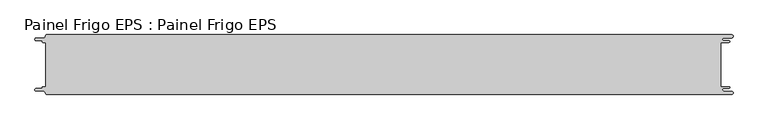
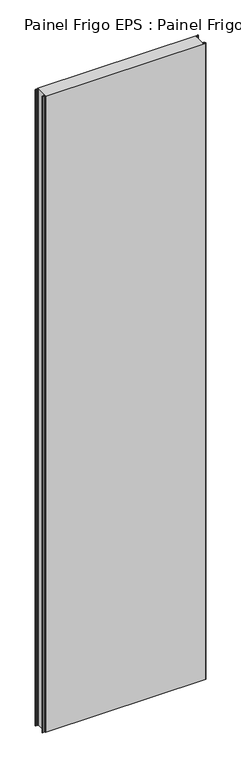
"""IFC4 building model written with IfcOpenShell, lengths in millimetres: proxy geometry, Painel Frigo EPS : Painel Frigo EPS."""

import ifcopenshell
import ifcopenshell.guid

model = None  # the IFC model being written
_history = None  # IfcOwnerHistory: only IFC2X3 demands one
_inside = {}  # id of a spatial element -> (the spatial element, [elements in it])
_under = {}  # id of a project, library or spatial element -> (it, [spatial elements below it])
_declared = {}  # id of a project -> (the project, [libraries it declares])
_typed = {}  # id of a type object -> (the type object, [elements of that type])
_made_of = {}  # id of a material, layer set ... -> (it, [elements and type objects made of it])


def new_model(schema):
    """Start an empty IFC model of exactly this schema.

    Asked for "IFC4X3", IfcOpenShell would pick the latest addendum, in which some entities
    have other attributes; the version numbers below select the first issue.
    IFC2X3 requires an IfcOwnerHistory on every rooted entity: one is made here for all.
    """
    global model, _history
    if schema == "IFC4X3":
        model = ifcopenshell.file(schema_version=(4, 3, 0, 0))
    else:
        model = ifcopenshell.file(schema=schema)
    _inside.clear()
    _under.clear()
    _declared.clear()
    _typed.clear()
    _made_of.clear()
    _history = None
    if model.schema == "IFC2X3":
        org = make("IfcOrganization", Name="unknown")
        user = make(
            "IfcPersonAndOrganization",
            ThePerson=make("IfcPerson", FamilyName="unknown"),
            TheOrganization=org,
        )
        app = make(
            "IfcApplication",
            ApplicationDeveloper=org,
            Version="unknown",
            ApplicationFullName="unknown",
            ApplicationIdentifier="unknown",
        )
        _history = make(
            "IfcOwnerHistory",
            OwningUser=user,
            OwningApplication=app,
            ChangeAction="ADDED",
            CreationDate=0,
        )
    return model


def make(cls, **values):
    """One entity of the class cls with the attributes given. An attribute that is None is left unset."""
    return model.create_entity(
        cls, **{name: value for name, value in values.items() if value is not None}
    )


def rooted(cls, **values):
    """An entity with a GlobalId (a new one), such as an element, a storey or a relation."""
    return make(cls, GlobalId=ifcopenshell.guid.new(), OwnerHistory=_history, **values)


def si_unit(unit_type, name, prefix=None):
    """IfcSIUnit, for example si_unit("LENGTHUNIT", "METRE", prefix="MILLI")."""
    return make("IfcSIUnit", UnitType=unit_type, Prefix=prefix, Name=name)


def assignment(units):
    """IfcUnitAssignment: the units of a project."""
    return None if units is None else make("IfcUnitAssignment", Units=units)


def point(xyz):
    """IfcCartesianPoint."""
    return None if xyz is None else make("IfcCartesianPoint", Coordinates=xyz)


def direction(xyz):
    """IfcDirection."""
    return None if xyz is None else make("IfcDirection", DirectionRatios=xyz)


def frame(location, z_axis=None, x_axis=None):
    """IfcAxis2Placement3D, a coordinate frame: its origin and axes. An axis left out is left unset."""
    return make(
        "IfcAxis2Placement3D",
        Location=point(location),
        Axis=direction(z_axis),
        RefDirection=direction(x_axis),
    )


def origin():
    """The frame at (0, 0, 0) with its axes left unset."""
    return frame((0.0, 0.0, 0.0))


def place(relative_to, where):
    """IfcLocalPlacement: puts the frame where relative to a parent placement (None: the world)."""
    return make(
        "IfcLocalPlacement", PlacementRelTo=relative_to, RelativePlacement=where
    )


def context(
    kind, dimensions, precision=None, world=None, true_north=None, identifier=None
):
    """IfcGeometricRepresentationContext, for example the 3D "Model" context."""
    return make(
        "IfcGeometricRepresentationContext",
        ContextIdentifier=identifier,
        ContextType=kind,
        CoordinateSpaceDimension=dimensions,
        Precision=precision,
        WorldCoordinateSystem=world,
        TrueNorth=true_north,
    )


def project(units=None, contexts=None):
    """IfcProject with its units and contexts."""
    return rooted(
        "IfcProject",
        Name="project",
        RepresentationContexts=contexts,
        UnitsInContext=assignment(units),
    )


def spatial(cls, under=None, at=None, **own):
    """A site, building, storey or space (cls), placed at a placement, below another one or the project."""
    s = rooted(cls, ObjectPlacement=at, **own)
    if under is not None:
        _under.setdefault(under.id(), (under, []))[1].append(s)
    return s


def polyline(points):
    """IfcPolyline through the points."""
    return make("IfcPolyline", Points=[point(p) for p in points])


def circle_curve(where, radius):
    """IfcCircle in the frame where."""
    return make("IfcCircle", Position=where, Radius=radius)


def shape(context_of_items, identifier, shape_type, items):
    """IfcShapeRepresentation: the items that make up one representation, for example the "Body"."""
    return make(
        "IfcShapeRepresentation",
        ContextOfItems=context_of_items,
        RepresentationIdentifier=identifier,
        RepresentationType=shape_type,
        Items=items,
    )


def source(mapping_origin, context_of_items, identifier, shape_type, items):
    """IfcRepresentationMap: a shape defined once, which mapped items show again and again."""
    return make(
        "IfcRepresentationMap",
        MappingOrigin=mapping_origin,
        MappedRepresentation=shape(context_of_items, identifier, shape_type, items),
    )


def transform(
    local_origin,
    x_axis=None,
    y_axis=None,
    z_axis=None,
    scale=None,
    scale2=None,
    scale3=None,
    uniform=True,
):
    """IfcCartesianTransformationOperator3D, or its non-uniform kind. x_axis, y_axis, z_axis: its Axis1, 2, 3."""
    if uniform:
        return make(
            "IfcCartesianTransformationOperator3D",
            Axis1=direction(x_axis),
            Axis2=direction(y_axis),
            LocalOrigin=point(local_origin),
            Scale=scale,
            Axis3=direction(z_axis),
        )
    return make(
        "IfcCartesianTransformationOperator3DnonUniform",
        Axis1=direction(x_axis),
        Axis2=direction(y_axis),
        LocalOrigin=point(local_origin),
        Scale=scale,
        Axis3=direction(z_axis),
        Scale2=scale2,
        Scale3=scale3,
    )


def mapped(mapping_source, mapping_target):
    """IfcMappedItem: shows the shape of a source again, moved by a transform."""
    return make(
        "IfcMappedItem", MappingSource=mapping_source, MappingTarget=mapping_target
    )


def made_of(thing, what):
    """Note that an element or type object is made of a material, layer set ...; save() writes the relation."""
    if what is not None:
        _made_of.setdefault(what.id(), (what, []))[1].append(thing)
    return thing


def element(
    cls,
    number,
    at=None,
    inside=None,
    cuts=None,
    type_object=None,
    material=None,
    context=None,
    identifier="Body",
    shape_type=None,
    held_by="IfcProductDefinitionShape",
    body=None,
    shapes=None,
    **own,
):
    """One element of the class cls, such as IfcWall. Its Tag is "e" and its number.

    at: its placement. inside: the storey or other place that contains it. cuts: it is an
    opening in that element (IfcRelVoidsElement). A single representation is given by context,
    identifier, shape_type and body (its items); several are given by shapes. held_by: the class
    of the entity that holds the representations. save() writes the other relations.
    """
    e = rooted(cls, Tag="e%d" % number, ObjectPlacement=at, **own)
    if body is not None:
        shapes = [shape(context, identifier, shape_type, body)]
    if shapes is not None:
        e.Representation = make(held_by, Representations=shapes)
    if inside is not None:
        _inside.setdefault(inside.id(), (inside, []))[1].append(e)
    if cuts is not None:
        rooted(
            "IfcRelVoidsElement", RelatingBuildingElement=cuts, RelatedOpeningElement=e
        )
    if type_object is not None:
        _typed.setdefault(type_object.id(), (type_object, []))[1].append(e)
    return made_of(e, material)


def aggregate(whole, parts):
    """IfcRelAggregates: a whole, such as a stair, and the parts it consists of."""
    return rooted("IfcRelAggregates", RelatingObject=whole, RelatedObjects=parts)


def save(model, path):
    """Write the relations noted so far, then the file.

    IfcRelAggregates (storeys below a building ...), IfcRelContainedInSpatialStructure (elements
    in a storey), IfcRelDefinesByType, IfcRelAssociatesMaterial and IfcRelDeclares: one each for
    every whole, place, type object, material and project.
    """
    for whole, parts in _under.values():
        aggregate(whole, parts)
    for where, things in _inside.values():
        rooted(
            "IfcRelContainedInSpatialStructure",
            RelatedElements=things,
            RelatingStructure=where,
        )
    for kind, things in _typed.values():
        rooted("IfcRelDefinesByType", RelatedObjects=things, RelatingType=kind)
    for what, things in _made_of.values():
        rooted("IfcRelAssociatesMaterial", RelatedObjects=things, RelatingMaterial=what)
    for by, libraries in _declared.values():
        rooted("IfcRelDeclares", RelatingContext=by, RelatedDefinitions=libraries)
    model.write(path)


def plane_surface(at):
    """IfcPlane: the flat surface through the origin of the frame at, square to its z axis."""
    return make("IfcPlane", Position=at)


def cylinder_surface(at, radius):
    """IfcCylindricalSurface: all points at the distance radius from the z axis of the frame at."""
    return make("IfcCylindricalSurface", Position=at, Radius=radius)


def revolved_surface(curve, axis_point, axis_direction):
    """IfcSurfaceOfRevolution: the curve turned about the line through axis_point along axis_direction."""
    return make(
        "IfcSurfaceOfRevolution",
        SweptCurve=make("IfcArbitraryOpenProfileDef", ProfileType="CURVE", Curve=curve),
        AxisPosition=make("IfcAxis1Placement", Location=point(axis_point), Axis=direction(axis_direction)),
    )


def advanced_brep(points, edges, surfaces, faces):
    """IfcAdvancedBrep: a solid bounded by faces that lie on surfaces and meet in shared edges.

    An edge is (start, end): straight between two places in points (the first is 0);
    or (start, end, curve); or (start, end, curve, False) where it runs against its curve.
    A face is (place in surfaces, loops), or (place, loops, False) where it looks against
    its surface's normal. A loop lists edges by number (the first is 1), with a minus sign
    where the edge is run from its end to its start. The first loop is the outer one.
    """
    corners = [point(p) for p in points]
    vertices = [make("IfcVertexPoint", VertexGeometry=c) for c in corners]
    made = []
    for start, end, *more in edges:
        made.append(
            make(
                "IfcEdgeCurve",
                EdgeStart=vertices[start],
                EdgeEnd=vertices[end],
                EdgeGeometry=more[0] if more else make("IfcPolyline", Points=[corners[start], corners[end]]),
                SameSense=more[1] if len(more) > 1 else True,
            )
        )
    hull = []
    for where, loops, *sense in faces:
        bounds = []
        for j, loop in enumerate(loops):
            ring = [make("IfcOrientedEdge", EdgeElement=made[abs(k) - 1], Orientation=k > 0) for k in loop]
            bounds.append(
                make(
                    "IfcFaceOuterBound" if j == 0 else "IfcFaceBound",
                    Bound=make("IfcEdgeLoop", EdgeList=ring),
                    Orientation=True,
                )
            )
        hull.append(make("IfcAdvancedFace", Bounds=bounds, FaceSurface=surfaces[where], SameSense=sense[0] if sense else True))
    return make("IfcAdvancedBrep", Outer=make("IfcClosedShell", CfsFaces=hull))


def painel_frigo_eps_painel_frigo_eps_998b898f(model_context):
    return source(origin(), model_context, "Body", "AdvancedBrep", [
        advanced_brep(
        [(-579.5093748, -37.3, 4800.0), (-580.1093748, -37.9, 4800.0), (-580.1093748, -38.7085184, 4800.0), (-581.5093751, -40.1085187, 4800.0), (-590.4875, -40.1085187, 4800.0), (-590.4875, -44.5085185, 4800.0), (-578.471875, -44.5085185, 4800.0), (-574.921875, -48.0585185, 4800.0), (-572.971875, -50.0, 4800.0), (572.284375, -50.0, 4800.0), (572.284375, -44.725, 4800.0), (559.378125, -44.725, 4800.0), (559.378125, -39.875, 4800.0), (568.0406253, -39.875, 4800.0), (568.0406253, -37.3, 4800.0), (554.1906253, -37.3, 4800.0), (554.1906253, 37.3, 4800.0), (568.0406253, 37.3, 4800.0), (568.0406253, 39.875, 4800.0), (559.378125, 39.875, 4800.0), (559.378125, 44.725, 4800.0), (572.284375, 44.725, 4800.0), (572.284375, 50.0, 4800.0), (-572.971875, 50.0, 4800.0), (-574.921875, 48.05, 4800.0), (-578.471875, 44.5085185, 4800.0), (-590.4875, 44.5085185, 4800.0), (-590.4875, 40.1085185, 4800.0), (-581.5093753, 40.1085185, 4800.0), (-580.1093753, 38.7085185, 4800.0), (-580.1093753, 37.9, 4800.0), (-579.5093748, 37.2999995, 4800.0), (-574.2218362, 37.2999995, 4800.0), (-574.2218362, -37.3, 4800.0), (-579.5093748, -37.3, 0.0), (-574.2218362, -37.3, 0.0), (-574.2218362, 37.2999995, 0.0), (-579.5093748, 37.2999995, 0.0), (-580.1093753, 37.9, 0.0), (-580.1093753, 38.7085185, 0.0), (-581.5093753, 40.1085185, 0.0), (-590.4875, 40.1085185, 0.0), (-590.4875, 44.5085185, 0.0), (-578.471875, 44.5085185, 0.0), (-574.921875, 48.0585185, 0.0), (-572.971875, 50.0, 0.0), (572.284375, 50.0, 0.0), (572.284375, 44.725, 0.0), (559.378125, 44.725, 0.0), (559.378125, 39.875, 0.0), (568.0406253, 39.875, 0.0), (568.0406253, 37.3, 0.0), (554.1906253, 37.3, 0.0), (554.1906253, -37.3, 0.0), (568.0406253, -37.3, 0.0), (568.0406253, -39.875, 0.0), (559.378125, -39.875, 0.0), (559.378125, -44.725, 0.0), (572.284375, -44.725, 0.0), (572.284375, -50.0, 0.0), (-572.971875, -50.0, 0.0), (-574.921875, -48.05, 0.0), (-578.471875, -44.5085185, 0.0), (-590.4875, -44.5085185, 0.0), (-590.4875, -40.1085187, 0.0), (-581.5093751, -40.1085187, 0.0), (-580.1093748, -38.7085184, 0.0), (-580.1093748, -37.9, 0.0)],
        [
            (0, 1, circle_curve(frame((-579.5093748, -37.9, 4800.0), z_axis=(0.0, 0.0, 1.0), x_axis=(1.0, 0.0, 0.0)), 0.6)),
            (1, 2),
            (2, 3, circle_curve(frame((-581.5093751, -38.7085184, 4800.0), z_axis=(0.0, 0.0, -1.0), x_axis=(1.0, 0.0, 0.0)), 1.4000003)),
            (3, 4),
            (4, 5, circle_curve(frame((-590.4875, -42.3085186, 4800.0), z_axis=(0.0, 0.0, 1.0), x_axis=(1.0, 0.0, 0.0)), 2.1999999)),
            (5, 6),
            (6, 7, circle_curve(frame((-578.471875, -48.0585185, 4800.0), z_axis=(0.0, 0.0, -1.0), x_axis=(1.0, 0.0, 0.0)), 3.55)),
            (7, 8, circle_curve(frame((-572.971875, -48.05, 4800.0), z_axis=(0.0, 0.0, 1.0), x_axis=(1.0, 0.0, 0.0)), 1.95)),
            (8, 9),
            (9, 10, circle_curve(frame((572.284375, -47.3625, 4800.0), z_axis=(0.0, 0.0, 1.0), x_axis=(1.0, 0.0, 0.0)), 2.6375)),
            (10, 11),
            (11, 12, circle_curve(frame((559.378125, -42.3, 4800.0), z_axis=(0.0, 0.0, -1.0), x_axis=(1.0, 0.0, 0.0)), 2.425)),
            (12, 13),
            (13, 14, circle_curve(frame((568.0406253, -38.5875, 4800.0), z_axis=(0.0, 0.0, 1.0), x_axis=(1.0, 0.0, 0.0)), 1.2875)),
            (14, 15),
            (15, 16),
            (16, 17),
            (17, 18, circle_curve(frame((568.0406253, 38.5875, 4800.0), z_axis=(0.0, 0.0, 1.0), x_axis=(1.0, 0.0, 0.0)), 1.2875)),
            (18, 19),
            (19, 20, circle_curve(frame((559.378125, 42.3, 4800.0), z_axis=(0.0, 0.0, -1.0), x_axis=(1.0, 0.0, 0.0)), 2.425)),
            (20, 21),
            (21, 22, circle_curve(frame((572.284375, 47.3625, 4800.0), z_axis=(0.0, 0.0, 1.0), x_axis=(1.0, 0.0, 0.0)), 2.6375)),
            (22, 23),
            (23, 24, circle_curve(frame((-572.971875, 48.05, 4800.0), z_axis=(0.0, 0.0, 1.0), x_axis=(1.0, 0.0, 0.0)), 1.95)),
            (24, 25, circle_curve(frame((-578.471875, 48.0585185, 4800.0), z_axis=(0.0, 0.0, -1.0), x_axis=(1.0, 0.0, 0.0)), 3.55)),
            (25, 26),
            (26, 27, circle_curve(frame((-590.4875, 42.3085185, 4800.0), z_axis=(0.0, 0.0, 1.0), x_axis=(1.0, 0.0, 0.0)), 2.2)),
            (27, 28),
            (28, 29, circle_curve(frame((-581.5093753, 38.7085185, 4800.0), z_axis=(0.0, 0.0, -1.0), x_axis=(1.0, 0.0, 0.0)), 1.4)),
            (29, 30),
            (30, 31, circle_curve(frame((-579.5093748, 37.9, 4800.0), z_axis=(0.0, 0.0, 1.0), x_axis=(1.0, 0.0, 0.0)), 0.6000005)),
            (31, 32),
            (32, 33),
            (33, 0),
            (34, 35),
            (35, 36),
            (36, 37),
            (37, 38, circle_curve(frame((-579.5093748, 37.9, 0.0), z_axis=(0.0, 0.0, -1.0), x_axis=(1.0, 0.0, 0.0)), 0.6000005)),
            (38, 39),
            (39, 40, circle_curve(frame((-581.5093753, 38.7085185, 0.0), z_axis=(0.0, 0.0, 1.0), x_axis=(1.0, 0.0, 0.0)), 1.4)),
            (40, 41),
            (41, 42, circle_curve(frame((-590.4875, 42.3085185, 0.0), z_axis=(0.0, 0.0, -1.0), x_axis=(1.0, 0.0, 0.0)), 2.2)),
            (42, 43),
            (43, 44, circle_curve(frame((-578.471875, 48.0585185, 0.0), z_axis=(0.0, 0.0, 1.0), x_axis=(1.0, 0.0, 0.0)), 3.55)),
            (44, 45, circle_curve(frame((-572.971875, 48.05, 0.0), z_axis=(0.0, 0.0, -1.0), x_axis=(1.0, 0.0, 0.0)), 1.95)),
            (45, 46),
            (46, 47, circle_curve(frame((572.284375, 47.3625, 0.0), z_axis=(0.0, 0.0, -1.0), x_axis=(1.0, 0.0, 0.0)), 2.6375)),
            (47, 48),
            (48, 49, circle_curve(frame((559.378125, 42.3, 0.0), z_axis=(0.0, 0.0, 1.0), x_axis=(1.0, 0.0, 0.0)), 2.425)),
            (49, 50),
            (50, 51, circle_curve(frame((568.0406253, 38.5875, 0.0), z_axis=(0.0, 0.0, -1.0), x_axis=(1.0, 0.0, 0.0)), 1.2875)),
            (51, 52),
            (52, 53),
            (53, 54),
            (54, 55, circle_curve(frame((568.0406253, -38.5875, 0.0), z_axis=(0.0, 0.0, -1.0), x_axis=(1.0, 0.0, 0.0)), 1.2875)),
            (55, 56),
            (56, 57, circle_curve(frame((559.378125, -42.3, 0.0), z_axis=(0.0, 0.0, 1.0), x_axis=(1.0, 0.0, 0.0)), 2.425)),
            (57, 58),
            (58, 59, circle_curve(frame((572.284375, -47.3625, 0.0), z_axis=(0.0, 0.0, -1.0), x_axis=(1.0, 0.0, 0.0)), 2.6375)),
            (59, 60),
            (60, 61, circle_curve(frame((-572.971875, -48.05, 0.0), z_axis=(0.0, 0.0, -1.0), x_axis=(1.0, 0.0, 0.0)), 1.95)),
            (61, 62, circle_curve(frame((-578.471875, -48.0585185, 0.0), z_axis=(0.0, 0.0, 1.0), x_axis=(1.0, 0.0, 0.0)), 3.55)),
            (62, 63),
            (63, 64, circle_curve(frame((-590.4875, -42.3085186, 0.0), z_axis=(0.0, 0.0, -1.0), x_axis=(1.0, 0.0, 0.0)), 2.1999999)),
            (64, 65),
            (65, 66, circle_curve(frame((-581.5093751, -38.7085184, 0.0), z_axis=(0.0, 0.0, 1.0), x_axis=(1.0, 0.0, 0.0)), 1.4000003)),
            (66, 67),
            (67, 34, circle_curve(frame((-579.5093748, -37.9, 0.0), z_axis=(0.0, 0.0, -1.0), x_axis=(1.0, 0.0, 0.0)), 0.6)),
            (22, 46),
            (45, 23),
            (8, 60),
            (59, 9),
            (33, 35),
            (34, 0),
            (32, 36),
            (31, 37),
            (30, 38),
            (29, 39),
            (28, 40),
            (27, 41),
            (26, 42),
            (25, 43),
            (24, 44),
            (15, 53),
            (52, 16),
            (14, 54),
            (13, 55),
            (12, 56),
            (11, 57),
            (10, 58),
            (7, 61),
            (6, 62),
            (5, 63),
            (4, 64),
            (3, 65),
            (2, 66),
            (1, 67),
            (21, 47),
            (20, 48),
            (19, 49),
            (18, 50),
            (17, 51),
        ],
        [
            plane_surface(frame((-574.2218362, -37.3, 4800.0), z_axis=(0.0, 0.0, 1.0), x_axis=(1.0, 0.0, 0.0))),
            plane_surface(frame((-574.2218362, -37.3, 0.0), z_axis=(0.0, 0.0, -1.0), x_axis=(-1.0, 0.0, 0.0))),
            plane_surface(frame((-572.971875, 50.0, 4800.0), z_axis=(0.0, 1.0, 0.0), x_axis=(0.0, 0.0, -1.0))),
            plane_surface(frame((572.284375, -50.0, 4800.0), z_axis=(0.0, -1.0, 0.0), x_axis=(0.0, 0.0, -1.0))),
            plane_surface(frame((-579.5093748, -37.3, 4800.0), z_axis=(0.0, 1.0, 0.0), x_axis=(0.0, 0.0, -1.0))),
            plane_surface(frame((-574.2218362, -37.3, 4800.0), z_axis=(-1.0, 0.0, 0.0), x_axis=(0.0, 0.0, -1.0))),
            plane_surface(frame((-574.2218362, 37.2999995, 4800.0), z_axis=(0.0, -1.0, 0.0), x_axis=(0.0, 0.0, -1.0))),
            cylinder_surface(frame((-579.5093748, 37.9, 0.0), z_axis=(0.0, 0.0, 1.0), x_axis=(1.0, 0.0, 0.0)), 0.6000005),
            plane_surface(frame((-580.1093753, 37.9, 4800.0), z_axis=(-1.0, -1.7578608662328141e-12, 0.0), x_axis=(0.0, 0.0, -1.0))),
            revolved_surface(polyline([(-580.1093753, 38.7085185, 0.0), (-580.1093753, 38.7085185, 4800.0)]), (-581.5093753, 38.7085185, 0.0), (0.0, 0.0, -1.0)),
            plane_surface(frame((-581.5093753, 40.1085185, 4800.0), z_axis=(0.0, -1.0, 0.0), x_axis=(0.0, 0.0, -1.0))),
            cylinder_surface(frame((-590.4875, 42.3085185, 0.0), z_axis=(0.0, 0.0, 1.0), x_axis=(1.0, 0.0, 0.0)), 2.2),
            plane_surface(frame((-590.4875, 44.5085185, 4800.0), z_axis=(0.0, 1.0, 0.0), x_axis=(0.0, 0.0, -1.0))),
            revolved_surface(polyline([(-574.921875, 48.0585185, 0.0), (-574.921875, 48.0585185, 4800.0)]), (-578.471875, 48.0585185, 0.0), (0.0, 0.0, -1.0)),
            cylinder_surface(frame((-572.971875, 48.05, 0.0), z_axis=(0.0, 0.0, 1.0), x_axis=(1.0, 0.0, 0.0)), 1.95),
            plane_surface(frame((554.1906253, 37.3, 4800.0), z_axis=(1.0, 0.0, 0.0), x_axis=(0.0, 0.0, -1.0))),
            plane_surface(frame((554.1906253, -37.3, 4800.0), z_axis=(0.0, 1.0, 0.0), x_axis=(0.0, 0.0, -1.0))),
            cylinder_surface(frame((568.0406253, -38.5875, 0.0), z_axis=(0.0, 0.0, 1.0), x_axis=(1.0, 0.0, 0.0)), 1.2875),
            plane_surface(frame((568.0406253, -39.875, 4800.0), z_axis=(0.0, -1.0, 0.0), x_axis=(0.0, 0.0, -1.0))),
            revolved_surface(polyline([(561.8031249999999, -42.3, 0.0), (561.8031249999999, -42.3, 4800.0)]), (559.378125, -42.3, 0.0), (0.0, 0.0, -1.0)),
            plane_surface(frame((559.378125, -44.725, 4800.0), z_axis=(0.0, 1.0, 0.0), x_axis=(0.0, 0.0, -1.0))),
            cylinder_surface(frame((572.284375, -47.3625, 0.0), z_axis=(0.0, 0.0, 1.0), x_axis=(1.0, 0.0, 0.0)), 2.6375),
            cylinder_surface(frame((-572.971875, -48.05, 0.0), z_axis=(0.0, 0.0, 1.0), x_axis=(1.0, 0.0, 0.0)), 1.95),
            revolved_surface(polyline([(-574.921875, -48.0585185, 0.0), (-574.921875, -48.0585185, 4800.0)]), (-578.471875, -48.0585185, 0.0), (0.0, 0.0, -1.0)),
            plane_surface(frame((-578.471875, -44.5085185, 4800.0), z_axis=(0.0, -1.0, 0.0), x_axis=(0.0, 0.0, -1.0))),
            cylinder_surface(frame((-590.4875, -42.3085186, 0.0), z_axis=(0.0, 0.0, 1.0), x_axis=(1.0, 0.0, 0.0)), 2.1999999),
            plane_surface(frame((-590.4875, -40.1085187, 4800.0), z_axis=(0.0, 1.0, 0.0), x_axis=(0.0, 0.0, -1.0))),
            revolved_surface(polyline([(-580.1093748000001, -38.7085184, 0.0), (-580.1093748000001, -38.7085184, 4800.0)]), (-581.5093751, -38.7085184, 0.0), (0.0, 0.0, -1.0)),
            plane_surface(frame((-580.1093748, -38.7085184, 4800.0), z_axis=(-1.0, 0.0, 0.0), x_axis=(0.0, 0.0, -1.0))),
            cylinder_surface(frame((-579.5093748, -37.9, 0.0), z_axis=(0.0, 0.0, 1.0), x_axis=(1.0, 0.0, 0.0)), 0.6),
            cylinder_surface(frame((572.284375, 47.3625, 0.0), z_axis=(0.0, 0.0, 1.0), x_axis=(1.0, 0.0, 0.0)), 2.6375),
            plane_surface(frame((572.284375, 44.725, 4800.0), z_axis=(0.0, -1.0, 0.0), x_axis=(0.0, 0.0, -1.0))),
            revolved_surface(polyline([(561.8031249999999, 42.3, 0.0), (561.8031249999999, 42.3, 4800.0)]), (559.378125, 42.3, 0.0), (0.0, 0.0, -1.0)),
            plane_surface(frame((559.378125, 39.875, 4800.0), z_axis=(0.0, 1.0, 0.0), x_axis=(0.0, 0.0, -1.0))),
            cylinder_surface(frame((568.0406253, 38.5875, 0.0), z_axis=(0.0, 0.0, 1.0), x_axis=(1.0, 0.0, 0.0)), 1.2875),
            plane_surface(frame((568.0406253, 37.3, 4800.0), z_axis=(0.0, -1.0, 0.0), x_axis=(0.0, 0.0, -1.0))),
        ],
        [
            (0, [[1, 2, 3, 4, 5, 6, 7, 8, 9, 10, 11, 12, 13, 14, 15, 16, 17, 18, 19, 20, 21, 22, 23, 24, 25, 26, 27, 28, 29, 30, 31, 32, 33, 34]]),
            (1, [[35, 36, 37, 38, 39, 40, 41, 42, 43, 44, 45, 46, 47, 48, 49, 50, 51, 52, 53, 54, 55, 56, 57, 58, 59, 60, 61, 62, 63, 64, 65, 66, 67, 68]]),
            (2, [[69, -46, 70, -23]]),
            (3, [[71, -60, 72, -9]]),
            (4, [[73, -35, 74, -34]]),
            (5, [[75, -36, -73, -33]]),
            (6, [[76, -37, -75, -32]]),
            (7, [[77, -38, -76, -31]]),
            (8, [[78, -39, -77, -30]]),
            (9, [[79, -40, -78, -29]]),
            (10, [[80, -41, -79, -28]]),
            (11, [[81, -42, -80, -27]]),
            (12, [[82, -43, -81, -26]]),
            (13, [[83, -44, -82, -25]]),
            (14, [[-70, -45, -83, -24]]),
            (15, [[84, -53, 85, -16]]),
            (16, [[86, -54, -84, -15]]),
            (17, [[87, -55, -86, -14]]),
            (18, [[88, -56, -87, -13]]),
            (19, [[89, -57, -88, -12]]),
            (20, [[90, -58, -89, -11]]),
            (21, [[-72, -59, -90, -10]]),
            (22, [[91, -61, -71, -8]]),
            (23, [[92, -62, -91, -7]]),
            (24, [[93, -63, -92, -6]]),
            (25, [[94, -64, -93, -5]]),
            (26, [[95, -65, -94, -4]]),
            (27, [[96, -66, -95, -3]]),
            (28, [[97, -67, -96, -2]]),
            (29, [[-74, -68, -97, -1]]),
            (30, [[98, -47, -69, -22]]),
            (31, [[99, -48, -98, -21]]),
            (32, [[100, -49, -99, -20]]),
            (33, [[101, -50, -100, -19]]),
            (34, [[102, -51, -101, -18]]),
            (35, [[-85, -52, -102, -17]]),
        ],
    ),
    ])


if __name__ == "__main__":
    model = new_model("IFC4")
    model_context = context("Model", 3, world=origin())
    ifc_project = project(units=[si_unit("LENGTHUNIT", "METRE", prefix="MILLI")], contexts=[model_context])
    site = spatial("IfcSite", under=ifc_project)
    building = spatial("IfcBuilding", under=site)
    placement = place(None, origin())
    painel_frigo_eps_painel_frigo_eps_shape = painel_frigo_eps_painel_frigo_eps_998b898f(model_context)
    element("IfcBuildingElementProxy", 1, Name="Painel Frigo EPS : Painel Frigo EPS", ObjectType="Painel Frigo EPS : Painel Frigo EPS", at=placement, inside=building, context=model_context, shape_type="MappedRepresentation", body=[
        mapped(painel_frigo_eps_painel_frigo_eps_shape, transform((0.0, 0.0, 0.0), x_axis=(1.0, 0.0, 0.0), y_axis=(0.0, 1.0, 0.0), z_axis=(0.0, 0.0, 1.0))),
    ])
    save(model, "model.ifc")
